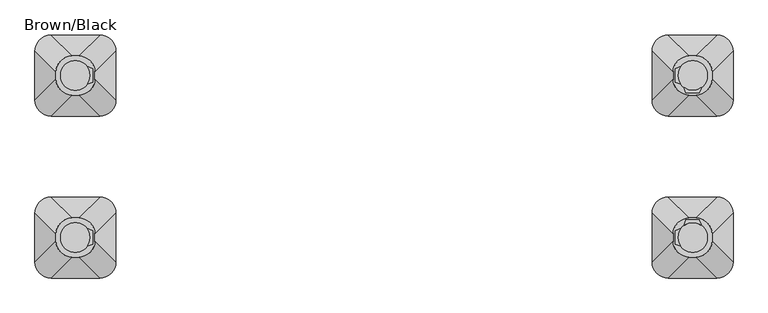
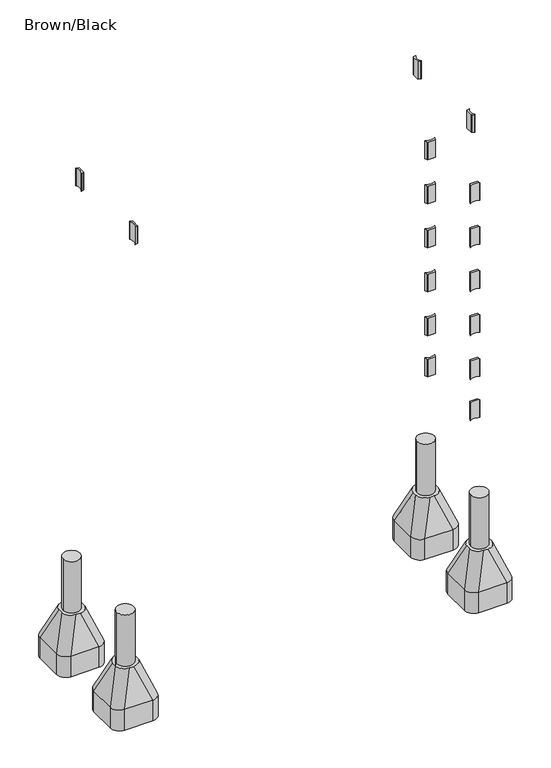
"""IFC4 building model written with IfcOpenShell, lengths in millimetres: furniture geometry, Brown/Black."""

from ifc_helpers import new_model, si_unit, point, frame, frame_2d, origin, place, context, project, spatial, polyline, circle_curve, trimmed, segment, composite_curve, outline, extrude, source, transform, mapped, element, save
from ifc_brep_helpers import plane_surface, cylinder_surface, extruded_surface, advanced_brep


def brown_black_4790e99b(model_context):
    return source(origin(), model_context, "Body", "SolidModel", [
        extrude(outline(composite_curve([segment(trimmed(circle_curve(frame_2d((-547.0, 205.0)), 55.0), [point((-602.0, 205.0))], [point((-492.0, 205.0))], False, "CARTESIAN"), True, "CONTINUOUS"), segment(trimmed(circle_curve(frame_2d((-547.0, 205.0)), 55.0), [point((-492.0, 205.0))], [point((-602.0, 205.0))], False, "CARTESIAN"), True, "CONTINUOUS")], self_intersect=False)), frame((0.0, 0.0, -800.0), z_axis=(0.0, 0.0, 1.0), x_axis=(1.0, 0.0, 0.0)), (0.0, 0.0, 1.0), 700.0),
        advanced_brep(
        [(-457.0, 355.0, -800.0), (-397.0, 295.0, -800.0), (-397.0, 115.0, -800.0), (-457.0, 55.0, -800.0), (-637.0, 55.0, -800.0), (-697.0, 115.0, -800.0), (-697.0, 295.0, -800.0), (-637.0, 355.0, -800.0), (-637.0, 355.0, -660.0), (-457.0, 355.0, -660.0), (-697.0, 115.0, -660.0), (-697.0, 295.0, -660.0), (-457.0, 55.0, -660.0), (-637.0, 55.0, -660.0), (-397.0, 295.0, -660.0), (-397.0, 115.0, -660.0), (-559.2959549, 277.6989403, -450.0), (-619.2959549, 217.6989403, -450.0), (-619.2959549, 192.3010597, -450.0), (-559.2959549, 132.3010597, -450.0), (-534.7040451, 132.3010597, -450.0), (-474.7040451, 192.3010597, -450.0), (-474.7040451, 217.6989403, -450.0), (-534.7040451, 277.6989403, -450.0)],
        [
            (0, 1, circle_curve(frame((-457.0, 295.0, -800.0), z_axis=(0.0, 0.0, -1.0), x_axis=(1.0, 0.0, 0.0)), 60.0)),
            (1, 2),
            (2, 3, circle_curve(frame((-457.0, 115.0, -800.0), z_axis=(0.0, 0.0, -1.0), x_axis=(1.0, 0.0, 0.0)), 60.0)),
            (3, 4),
            (4, 5, circle_curve(frame((-637.0, 115.0, -800.0), z_axis=(0.0, 0.0, -1.0), x_axis=(1.0, 0.0, 0.0)), 60.0)),
            (5, 6),
            (6, 7, circle_curve(frame((-637.0, 295.0, -800.0), z_axis=(0.0, 0.0, -1.0), x_axis=(1.0, 0.0, 0.0)), 60.0)),
            (7, 0),
            (7, 8),
            (8, 9),
            (9, 0),
            (5, 10),
            (10, 11),
            (11, 6),
            (3, 12),
            (12, 13),
            (13, 4),
            (1, 14),
            (14, 15),
            (15, 2),
            (16, 17, circle_curve(frame((-559.2959549, 217.6989403, -450.0), z_axis=(0.0, 0.0, 1.0), x_axis=(1.0, 0.0, 0.0)), 60.0)),
            (17, 18),
            (18, 19, circle_curve(frame((-559.2959549, 192.3010597, -450.0), z_axis=(0.0, 0.0, 1.0), x_axis=(1.0, 0.0, 0.0)), 60.0)),
            (19, 20),
            (20, 21, circle_curve(frame((-534.7040451, 192.3010597, -450.0), z_axis=(0.0, 0.0, 1.0), x_axis=(1.0, 0.0, 0.0)), 60.0)),
            (21, 22),
            (22, 23, circle_curve(frame((-534.7040451, 217.6989403, -450.0), z_axis=(0.0, 0.0, 1.0), x_axis=(1.0, 0.0, 0.0)), 60.0)),
            (23, 16),
            (17, 11),
            (10, 18),
            (19, 13),
            (12, 20),
            (21, 15),
            (14, 22),
            (23, 9),
            (8, 16),
            (11, 8, circle_curve(frame((-637.0, 295.0, -660.0), z_axis=(0.0, 0.0, -1.0), x_axis=(1.0, 0.0, 0.0)), 60.0)),
            (13, 10, circle_curve(frame((-637.0, 115.0, -660.0), z_axis=(0.0, 0.0, -1.0), x_axis=(1.0, 0.0, 0.0)), 60.0)),
            (15, 12, circle_curve(frame((-457.0, 115.0, -660.0), z_axis=(0.0, 0.0, -1.0), x_axis=(1.0, 0.0, 0.0)), 60.0)),
            (9, 14, circle_curve(frame((-457.0, 295.0, -660.0), z_axis=(0.0, 0.0, -1.0), x_axis=(1.0, 0.0, 0.0)), 60.0)),
        ],
        [
            plane_surface(frame((-723.6329682, 355.0, -800.0), z_axis=(0.0, 0.0, -1.0), x_axis=(1.0, 0.0, 0.0))),
            plane_surface(frame((-457.0, 355.0, -660.0), z_axis=(0.0, 1.0, 0.0), x_axis=(0.0, 0.0, -1.0))),
            plane_surface(frame((-697.0, 295.0, -660.0), z_axis=(-1.0, 0.0, 0.0), x_axis=(0.0, 0.0, -1.0))),
            plane_surface(frame((-637.0, 55.0, -660.0), z_axis=(0.0, -1.0, 0.0), x_axis=(0.0, 0.0, -1.0))),
            plane_surface(frame((-397.0, 115.0, -660.0), z_axis=(1.0, 0.0, 0.0), x_axis=(0.0, 0.0, -1.0))),
            plane_surface(frame((-547.0, 205.0, -450.0), z_axis=(0.0, 0.0, 1.0), x_axis=(-1.0, 0.0, 0.0))),
            plane_surface(frame((-697.0, 205.0, -660.0), z_axis=(-0.9378559633153523, 0.0, 0.3470247715564883), x_axis=(0.0, -1.0, 0.0))),
            plane_surface(frame((-547.0, 55.0, -660.0), z_axis=(0.0, -0.9384407279810882, 0.3454402988452927), x_axis=(1.0, 0.0, 0.0))),
            plane_surface(frame((-397.0, 205.0, -660.0), z_axis=(0.9378559633153524, 0.0, 0.34702477155648764), x_axis=(0.0, 1.0, 0.0))),
            plane_surface(frame((-547.0, 355.0, -660.0), z_axis=(0.0, 0.9384407279810884, 0.3454402988452924), x_axis=(-1.0, 0.0, 0.0))),
            cylinder_surface(frame((-637.0, 295.0, -800.0), z_axis=(0.0, 0.0, 1.0), x_axis=(1.0, 0.0, 0.0)), 60.0),
            cylinder_surface(frame((-637.0, 115.0, -800.0), z_axis=(0.0, 0.0, 1.0), x_axis=(1.0, 0.0, 0.0)), 60.0),
            cylinder_surface(frame((-457.0, 115.0, -800.0), z_axis=(0.0, 0.0, 1.0), x_axis=(1.0, 0.0, 0.0)), 60.0),
            cylinder_surface(frame((-457.0, 295.0, -800.0), z_axis=(0.0, 0.0, 1.0), x_axis=(1.0, 0.0, 0.0)), 60.0),
            extruded_surface(trimmed(circle_curve(frame((-637.0, 295.0, -660.0), z_axis=(0.0, 0.0, 1.0), x_axis=(1.0, 0.0, 0.0)), 60.0), [point((-637.0, 355.0, -660.0))], [point((-697.0, 295.0, -660.0))], True, "CARTESIAN"), (77.70404510000003, -77.3010597, 210.0), 236.88261324049472),
            extruded_surface(trimmed(circle_curve(frame((-457.0, 295.0, -660.0), z_axis=(0.0, 0.0, 1.0), x_axis=(1.0, 0.0, 0.0)), 60.0), [point((-397.0, 295.0, -660.0))], [point((-457.0, 355.0, -660.0))], True, "CARTESIAN"), (-77.70404510000003, -77.3010597, 210.0), 236.88261324049472),
            extruded_surface(trimmed(circle_curve(frame((-637.0, 115.0, -660.0), z_axis=(0.0, 0.0, 1.0), x_axis=(1.0, 0.0, 0.0)), 60.0), [point((-697.0, 115.0, -660.0))], [point((-637.0, 55.0, -660.0))], True, "CARTESIAN"), (77.70404510000003, 77.3010597, 210.0), 236.88261324049472),
            extruded_surface(trimmed(circle_curve(frame((-457.0, 115.0, -660.0), z_axis=(0.0, 0.0, 1.0), x_axis=(1.0, 0.0, 0.0)), 60.0), [point((-457.0, 55.0, -660.0))], [point((-397.0, 115.0, -660.0))], True, "CARTESIAN"), (-77.70404510000003, 77.3010597, 210.0), 236.88261324049472),
        ],
        [
            (0, [[1, 2, 3, 4, 5, 6, 7, 8]]),
            (1, [[-8, 9, 10, 11]]),
            (2, [[-6, 12, 13, 14]]),
            (3, [[-4, 15, 16, 17]]),
            (4, [[-2, 18, 19, 20]]),
            (5, [[21, 22, 23, 24, 25, 26, 27, 28]]),
            (6, [[-22, 29, -13, 30]]),
            (7, [[-24, 31, -16, 32]]),
            (8, [[-26, 33, -19, 34]]),
            (9, [[-28, 35, -10, 36]]),
            (10, [[-7, -14, 37, -9]]),
            (11, [[-5, -17, 38, -12]]),
            (12, [[-3, -20, 39, -15]]),
            (13, [[-1, -11, 40, -18]]),
            (14, [[-21, -36, -37, -29]]),
            (15, [[-27, -34, -40, -35]]),
            (16, [[-23, -30, -38, -31]]),
            (17, [[-25, -32, -39, -33]]),
        ],
    ),
        extrude(outline(composite_curve([segment(trimmed(circle_curve(frame_2d((-547.0, 805.0)), 55.0), [point((-602.0, 805.0))], [point((-492.0, 805.0))], False, "CARTESIAN"), True, "CONTINUOUS"), segment(trimmed(circle_curve(frame_2d((-547.0, 805.0)), 55.0), [point((-492.0, 805.0))], [point((-602.0, 805.0))], False, "CARTESIAN"), True, "CONTINUOUS")], self_intersect=False)), frame((0.0, 0.0, -800.0), z_axis=(0.0, 0.0, 1.0), x_axis=(1.0, 0.0, 0.0)), (0.0, 0.0, 1.0), 700.0),
        advanced_brep(
        [(-457.0, 955.0, -800.0), (-397.0, 895.0, -800.0), (-397.0, 715.0, -800.0), (-457.0, 655.0, -800.0), (-637.0, 655.0, -800.0), (-697.0, 715.0, -800.0), (-697.0, 895.0, -800.0), (-637.0, 955.0, -800.0), (-637.0, 955.0, -660.0), (-457.0, 955.0, -660.0), (-697.0, 715.0, -660.0), (-697.0, 895.0, -660.0), (-457.0, 655.0, -660.0), (-637.0, 655.0, -660.0), (-397.0, 895.0, -660.0), (-397.0, 715.0, -660.0), (-559.2959549, 877.6989403, -450.0), (-619.2959549, 817.6989403, -450.0), (-619.2959549, 792.3010597, -450.0), (-559.2959549, 732.3010597, -450.0), (-534.7040451, 732.3010597, -450.0), (-474.7040451, 792.3010597, -450.0), (-474.7040451, 817.6989403, -450.0), (-534.7040451, 877.6989403, -450.0)],
        [
            (0, 1, circle_curve(frame((-457.0, 895.0, -800.0), z_axis=(0.0, 0.0, -1.0), x_axis=(1.0, 0.0, 0.0)), 60.0)),
            (1, 2),
            (2, 3, circle_curve(frame((-457.0, 715.0, -800.0), z_axis=(0.0, 0.0, -1.0), x_axis=(1.0, 0.0, 0.0)), 60.0)),
            (3, 4),
            (4, 5, circle_curve(frame((-637.0, 715.0, -800.0), z_axis=(0.0, 0.0, -1.0), x_axis=(1.0, 0.0, 0.0)), 60.0)),
            (5, 6),
            (6, 7, circle_curve(frame((-637.0, 895.0, -800.0), z_axis=(0.0, 0.0, -1.0), x_axis=(1.0, 0.0, 0.0)), 60.0)),
            (7, 0),
            (7, 8),
            (8, 9),
            (9, 0),
            (5, 10),
            (10, 11),
            (11, 6),
            (3, 12),
            (12, 13),
            (13, 4),
            (1, 14),
            (14, 15),
            (15, 2),
            (16, 17, circle_curve(frame((-559.2959549, 817.6989403, -450.0), z_axis=(0.0, 0.0, 1.0), x_axis=(1.0, 0.0, 0.0)), 60.0)),
            (17, 18),
            (18, 19, circle_curve(frame((-559.2959549, 792.3010597, -450.0), z_axis=(0.0, 0.0, 1.0), x_axis=(1.0, 0.0, 0.0)), 60.0)),
            (19, 20),
            (20, 21, circle_curve(frame((-534.7040451, 792.3010597, -450.0), z_axis=(0.0, 0.0, 1.0), x_axis=(1.0, 0.0, 0.0)), 60.0)),
            (21, 22),
            (22, 23, circle_curve(frame((-534.7040451, 817.6989403, -450.0), z_axis=(0.0, 0.0, 1.0), x_axis=(1.0, 0.0, 0.0)), 60.0)),
            (23, 16),
            (17, 11),
            (10, 18),
            (19, 13),
            (12, 20),
            (21, 15),
            (14, 22),
            (23, 9),
            (8, 16),
            (11, 8, circle_curve(frame((-637.0, 895.0, -660.0), z_axis=(0.0, 0.0, -1.0), x_axis=(1.0, 0.0, 0.0)), 60.0)),
            (13, 10, circle_curve(frame((-637.0, 715.0, -660.0), z_axis=(0.0, 0.0, -1.0), x_axis=(1.0, 0.0, 0.0)), 60.0)),
            (15, 12, circle_curve(frame((-457.0, 715.0, -660.0), z_axis=(0.0, 0.0, -1.0), x_axis=(1.0, 0.0, 0.0)), 60.0)),
            (9, 14, circle_curve(frame((-457.0, 895.0, -660.0), z_axis=(0.0, 0.0, -1.0), x_axis=(1.0, 0.0, 0.0)), 60.0)),
        ],
        [
            plane_surface(frame((-723.6329682, 955.0, -800.0), z_axis=(0.0, 0.0, -1.0), x_axis=(1.0, 0.0, 0.0))),
            plane_surface(frame((-457.0, 955.0, -660.0), z_axis=(0.0, 1.0, 0.0), x_axis=(0.0, 0.0, -1.0))),
            plane_surface(frame((-697.0, 895.0, -660.0), z_axis=(-1.0, 0.0, 0.0), x_axis=(0.0, 0.0, -1.0))),
            plane_surface(frame((-637.0, 655.0, -660.0), z_axis=(0.0, -1.0, 0.0), x_axis=(0.0, 0.0, -1.0))),
            plane_surface(frame((-397.0, 715.0, -660.0), z_axis=(1.0, 0.0, 0.0), x_axis=(0.0, 0.0, -1.0))),
            plane_surface(frame((-547.0, 805.0, -450.0), z_axis=(0.0, 0.0, 1.0), x_axis=(-1.0, 0.0, 0.0))),
            plane_surface(frame((-697.0, 805.0, -660.0), z_axis=(-0.9378559633153523, 0.0, 0.3470247715564883), x_axis=(0.0, -1.0, 0.0))),
            plane_surface(frame((-547.0, 655.0, -660.0), z_axis=(0.0, -0.9384407279810882, 0.3454402988452927), x_axis=(1.0, 0.0, 0.0))),
            plane_surface(frame((-397.0, 805.0, -660.0), z_axis=(0.9378559633153524, 0.0, 0.34702477155648764), x_axis=(0.0, 1.0, 0.0))),
            plane_surface(frame((-547.0, 955.0, -660.0), z_axis=(0.0, 0.9384407279810884, 0.3454402988452924), x_axis=(-1.0, 0.0, 0.0))),
            cylinder_surface(frame((-637.0, 895.0, -800.0), z_axis=(0.0, 0.0, 1.0), x_axis=(1.0, 0.0, 0.0)), 60.0),
            cylinder_surface(frame((-637.0, 715.0, -800.0), z_axis=(0.0, 0.0, 1.0), x_axis=(1.0, 0.0, 0.0)), 60.0),
            cylinder_surface(frame((-457.0, 715.0, -800.0), z_axis=(0.0, 0.0, 1.0), x_axis=(1.0, 0.0, 0.0)), 60.0),
            cylinder_surface(frame((-457.0, 895.0, -800.0), z_axis=(0.0, 0.0, 1.0), x_axis=(1.0, 0.0, 0.0)), 60.0),
            extruded_surface(trimmed(circle_curve(frame((-637.0, 895.0, -660.0), z_axis=(0.0, 0.0, 1.0), x_axis=(1.0, 0.0, 0.0)), 60.0), [point((-637.0, 955.0, -660.0))], [point((-697.0, 895.0, -660.0))], True, "CARTESIAN"), (77.70404510000003, -77.3010597, 210.0), 236.88261324049472),
            extruded_surface(trimmed(circle_curve(frame((-457.0, 895.0, -660.0), z_axis=(0.0, 0.0, 1.0), x_axis=(1.0, 0.0, 0.0)), 60.0), [point((-397.0, 895.0, -660.0))], [point((-457.0, 955.0, -660.0))], True, "CARTESIAN"), (-77.70404510000003, -77.3010597, 210.0), 236.88261324049472),
            extruded_surface(trimmed(circle_curve(frame((-637.0, 715.0, -660.0), z_axis=(0.0, 0.0, 1.0), x_axis=(1.0, 0.0, 0.0)), 60.0), [point((-697.0, 715.0, -660.0))], [point((-637.0, 655.0, -660.0))], True, "CARTESIAN"), (77.70404510000003, 77.3010597, 210.0), 236.88261324049472),
            extruded_surface(trimmed(circle_curve(frame((-457.0, 715.0, -660.0), z_axis=(0.0, 0.0, 1.0), x_axis=(1.0, 0.0, 0.0)), 60.0), [point((-457.0, 655.0, -660.0))], [point((-397.0, 715.0, -660.0))], True, "CARTESIAN"), (-77.70404510000003, 77.3010597, 210.0), 236.88261324049472),
        ],
        [
            (0, [[1, 2, 3, 4, 5, 6, 7, 8]]),
            (1, [[-8, 9, 10, 11]]),
            (2, [[-6, 12, 13, 14]]),
            (3, [[-4, 15, 16, 17]]),
            (4, [[-2, 18, 19, 20]]),
            (5, [[21, 22, 23, 24, 25, 26, 27, 28]]),
            (6, [[-22, 29, -13, 30]]),
            (7, [[-24, 31, -16, 32]]),
            (8, [[-26, 33, -19, 34]]),
            (9, [[-28, 35, -10, 36]]),
            (10, [[-7, -14, 37, -9]]),
            (11, [[-5, -17, 38, -12]]),
            (12, [[-3, -20, 39, -15]]),
            (13, [[-1, -11, 40, -18]]),
            (14, [[-21, -36, -37, -29]]),
            (15, [[-27, -34, -40, -35]]),
            (16, [[-23, -30, -38, -31]]),
            (17, [[-25, -32, -39, -33]]),
        ],
    ),
        extrude(outline(composite_curve([segment(trimmed(circle_curve(frame_2d((1739.0, 205.0)), 55.0), [point((1684.0, 205.0))], [point((1794.0, 205.0))], False, "CARTESIAN"), True, "CONTINUOUS"), segment(trimmed(circle_curve(frame_2d((1739.0, 205.0)), 55.0), [point((1794.0, 205.0))], [point((1684.0, 205.0))], False, "CARTESIAN"), True, "CONTINUOUS")], self_intersect=False)), frame((0.0, 0.0, -800.0), z_axis=(0.0, 0.0, 1.0), x_axis=(1.0, 0.0, 0.0)), (0.0, 0.0, 1.0), 700.0),
        advanced_brep(
        [(1829.0, 355.0, -800.0), (1889.0, 295.0, -800.0), (1889.0, 115.0, -800.0), (1829.0, 55.0, -800.0), (1649.0, 55.0, -800.0), (1589.0, 115.0, -800.0), (1589.0, 295.0, -800.0), (1649.0, 355.0, -800.0), (1649.0, 355.0, -660.0), (1829.0, 355.0, -660.0), (1589.0, 115.0, -660.0), (1589.0, 295.0, -660.0), (1829.0, 55.0, -660.0), (1649.0, 55.0, -660.0), (1889.0, 295.0, -660.0), (1889.0, 115.0, -660.0), (1726.7040451, 277.6989403, -450.0), (1666.7040451, 217.6989403, -450.0), (1666.7040451, 192.3010597, -450.0), (1726.7040451, 132.3010597, -450.0), (1751.2959549, 132.3010597, -450.0), (1811.2959549, 192.3010597, -450.0), (1811.2959549, 217.6989403, -450.0), (1751.2959549, 277.6989403, -450.0)],
        [
            (0, 1, circle_curve(frame((1829.0, 295.0, -800.0), z_axis=(0.0, 0.0, -1.0), x_axis=(1.0, 0.0, 0.0)), 60.0)),
            (1, 2),
            (2, 3, circle_curve(frame((1829.0, 115.0, -800.0), z_axis=(0.0, 0.0, -1.0), x_axis=(1.0, 0.0, 0.0)), 60.0)),
            (3, 4),
            (4, 5, circle_curve(frame((1649.0, 115.0, -800.0), z_axis=(0.0, 0.0, -1.0), x_axis=(1.0, 0.0, 0.0)), 60.0)),
            (5, 6),
            (6, 7, circle_curve(frame((1649.0, 295.0, -800.0), z_axis=(0.0, 0.0, -1.0), x_axis=(1.0, 0.0, 0.0)), 60.0)),
            (7, 0),
            (7, 8),
            (8, 9),
            (9, 0),
            (5, 10),
            (10, 11),
            (11, 6),
            (3, 12),
            (12, 13),
            (13, 4),
            (1, 14),
            (14, 15),
            (15, 2),
            (16, 17, circle_curve(frame((1726.7040451, 217.6989403, -450.0), z_axis=(0.0, 0.0, 1.0), x_axis=(1.0, 0.0, 0.0)), 60.0)),
            (17, 18),
            (18, 19, circle_curve(frame((1726.7040451, 192.3010597, -450.0), z_axis=(0.0, 0.0, 1.0), x_axis=(1.0, 0.0, 0.0)), 60.0)),
            (19, 20),
            (20, 21, circle_curve(frame((1751.2959549, 192.3010597, -450.0), z_axis=(0.0, 0.0, 1.0), x_axis=(1.0, 0.0, 0.0)), 60.0)),
            (21, 22),
            (22, 23, circle_curve(frame((1751.2959549, 217.6989403, -450.0), z_axis=(0.0, 0.0, 1.0), x_axis=(1.0, 0.0, 0.0)), 60.0)),
            (23, 16),
            (17, 11),
            (10, 18),
            (19, 13),
            (12, 20),
            (21, 15),
            (14, 22),
            (23, 9),
            (8, 16),
            (11, 8, circle_curve(frame((1649.0, 295.0, -660.0), z_axis=(0.0, 0.0, -1.0), x_axis=(1.0, 0.0, 0.0)), 60.0)),
            (13, 10, circle_curve(frame((1649.0, 115.0, -660.0), z_axis=(0.0, 0.0, -1.0), x_axis=(1.0, 0.0, 0.0)), 60.0)),
            (15, 12, circle_curve(frame((1829.0, 115.0, -660.0), z_axis=(0.0, 0.0, -1.0), x_axis=(1.0, 0.0, 0.0)), 60.0)),
            (9, 14, circle_curve(frame((1829.0, 295.0, -660.0), z_axis=(0.0, 0.0, -1.0), x_axis=(1.0, 0.0, 0.0)), 60.0)),
        ],
        [
            plane_surface(frame((1562.3670318, 355.0, -800.0), z_axis=(0.0, 0.0, -1.0), x_axis=(1.0, 0.0, 0.0))),
            plane_surface(frame((1829.0, 355.0, -660.0), z_axis=(0.0, 1.0, 0.0), x_axis=(0.0, 0.0, -1.0))),
            plane_surface(frame((1589.0, 295.0, -660.0), z_axis=(-1.0, 0.0, 0.0), x_axis=(0.0, 0.0, -1.0))),
            plane_surface(frame((1649.0, 55.0, -660.0), z_axis=(0.0, -1.0, 0.0), x_axis=(0.0, 0.0, -1.0))),
            plane_surface(frame((1889.0, 115.0, -660.0), z_axis=(1.0, 0.0, 0.0), x_axis=(0.0, 0.0, -1.0))),
            plane_surface(frame((1739.0, 205.0, -450.0), z_axis=(0.0, 0.0, 1.0), x_axis=(-1.0, 0.0, 0.0))),
            plane_surface(frame((1589.0, 205.0, -660.0), z_axis=(-0.9378559633153523, 0.0, 0.3470247715564883), x_axis=(0.0, -1.0, 0.0))),
            plane_surface(frame((1739.0, 55.0, -660.0), z_axis=(0.0, -0.9384407279810882, 0.3454402988452927), x_axis=(1.0, 0.0, 0.0))),
            plane_surface(frame((1889.0, 205.0, -660.0), z_axis=(0.9378559633153524, 0.0, 0.34702477155648764), x_axis=(0.0, 1.0, 0.0))),
            plane_surface(frame((1739.0, 355.0, -660.0), z_axis=(0.0, 0.9384407279810884, 0.3454402988452924), x_axis=(-1.0, 0.0, 0.0))),
            cylinder_surface(frame((1649.0, 295.0, -800.0), z_axis=(0.0, 0.0, 1.0), x_axis=(1.0, 0.0, 0.0)), 60.0),
            cylinder_surface(frame((1649.0, 115.0, -800.0), z_axis=(0.0, 0.0, 1.0), x_axis=(1.0, 0.0, 0.0)), 60.0),
            cylinder_surface(frame((1829.0, 115.0, -800.0), z_axis=(0.0, 0.0, 1.0), x_axis=(1.0, 0.0, 0.0)), 60.0),
            cylinder_surface(frame((1829.0, 295.0, -800.0), z_axis=(0.0, 0.0, 1.0), x_axis=(1.0, 0.0, 0.0)), 60.0),
            extruded_surface(trimmed(circle_curve(frame((1649.0, 295.0, -660.0), z_axis=(0.0, 0.0, 1.0), x_axis=(1.0, 0.0, 0.0)), 60.0), [point((1649.0, 355.0, -660.0))], [point((1589.0, 295.0, -660.0))], True, "CARTESIAN"), (77.70404510000003, -77.3010597, 210.0), 236.88261324049472),
            extruded_surface(trimmed(circle_curve(frame((1829.0, 295.0, -660.0), z_axis=(0.0, 0.0, 1.0), x_axis=(1.0, 0.0, 0.0)), 60.0), [point((1889.0, 295.0, -660.0))], [point((1829.0, 355.0, -660.0))], True, "CARTESIAN"), (-77.70404510000003, -77.3010597, 210.0), 236.88261324049472),
            extruded_surface(trimmed(circle_curve(frame((1649.0, 115.0, -660.0), z_axis=(0.0, 0.0, 1.0), x_axis=(1.0, 0.0, 0.0)), 60.0), [point((1589.0, 115.0, -660.0))], [point((1649.0, 55.0, -660.0))], True, "CARTESIAN"), (77.70404510000003, 77.3010597, 210.0), 236.88261324049472),
            extruded_surface(trimmed(circle_curve(frame((1829.0, 115.0, -660.0), z_axis=(0.0, 0.0, 1.0), x_axis=(1.0, 0.0, 0.0)), 60.0), [point((1829.0, 55.0, -660.0))], [point((1889.0, 115.0, -660.0))], True, "CARTESIAN"), (-77.70404510000003, 77.3010597, 210.0), 236.88261324049472),
        ],
        [
            (0, [[1, 2, 3, 4, 5, 6, 7, 8]]),
            (1, [[-8, 9, 10, 11]]),
            (2, [[-6, 12, 13, 14]]),
            (3, [[-4, 15, 16, 17]]),
            (4, [[-2, 18, 19, 20]]),
            (5, [[21, 22, 23, 24, 25, 26, 27, 28]]),
            (6, [[-22, 29, -13, 30]]),
            (7, [[-24, 31, -16, 32]]),
            (8, [[-26, 33, -19, 34]]),
            (9, [[-28, 35, -10, 36]]),
            (10, [[-7, -14, 37, -9]]),
            (11, [[-5, -17, 38, -12]]),
            (12, [[-3, -20, 39, -15]]),
            (13, [[-1, -11, 40, -18]]),
            (14, [[-21, -36, -37, -29]]),
            (15, [[-27, -34, -40, -35]]),
            (16, [[-23, -30, -38, -31]]),
            (17, [[-25, -32, -39, -33]]),
        ],
    ),
        extrude(outline(composite_curve([segment(trimmed(circle_curve(frame_2d((1739.0, 805.0)), 55.0), [point((1684.0, 805.0))], [point((1794.0, 805.0))], False, "CARTESIAN"), True, "CONTINUOUS"), segment(trimmed(circle_curve(frame_2d((1739.0, 805.0)), 55.0), [point((1794.0, 805.0))], [point((1684.0, 805.0))], False, "CARTESIAN"), True, "CONTINUOUS")], self_intersect=False)), frame((0.0, 0.0, -800.0), z_axis=(0.0, 0.0, 1.0), x_axis=(1.0, 0.0, 0.0)), (0.0, 0.0, 1.0), 700.0),
        advanced_brep(
        [(1829.0, 955.0, -800.0), (1889.0, 895.0, -800.0), (1889.0, 715.0, -800.0), (1829.0, 655.0, -800.0), (1649.0, 655.0, -800.0), (1589.0, 715.0, -800.0), (1589.0, 895.0, -800.0), (1649.0, 955.0, -800.0), (1649.0, 955.0, -660.0), (1829.0, 955.0, -660.0), (1589.0, 715.0, -660.0), (1589.0, 895.0, -660.0), (1829.0, 655.0, -660.0), (1649.0, 655.0, -660.0), (1889.0, 895.0, -660.0), (1889.0, 715.0, -660.0), (1726.7040451, 877.6989403, -450.0), (1666.7040451, 817.6989403, -450.0), (1666.7040451, 792.3010597, -450.0), (1726.7040451, 732.3010597, -450.0), (1751.2959549, 732.3010597, -450.0), (1811.2959549, 792.3010597, -450.0), (1811.2959549, 817.6989403, -450.0), (1751.2959549, 877.6989403, -450.0)],
        [
            (0, 1, circle_curve(frame((1829.0, 895.0, -800.0), z_axis=(0.0, 0.0, -1.0), x_axis=(1.0, 0.0, 0.0)), 60.0)),
            (1, 2),
            (2, 3, circle_curve(frame((1829.0, 715.0, -800.0), z_axis=(0.0, 0.0, -1.0), x_axis=(1.0, 0.0, 0.0)), 60.0)),
            (3, 4),
            (4, 5, circle_curve(frame((1649.0, 715.0, -800.0), z_axis=(0.0, 0.0, -1.0), x_axis=(1.0, 0.0, 0.0)), 60.0)),
            (5, 6),
            (6, 7, circle_curve(frame((1649.0, 895.0, -800.0), z_axis=(0.0, 0.0, -1.0), x_axis=(1.0, 0.0, 0.0)), 60.0)),
            (7, 0),
            (7, 8),
            (8, 9),
            (9, 0),
            (5, 10),
            (10, 11),
            (11, 6),
            (3, 12),
            (12, 13),
            (13, 4),
            (1, 14),
            (14, 15),
            (15, 2),
            (16, 17, circle_curve(frame((1726.7040451, 817.6989403, -450.0), z_axis=(0.0, 0.0, 1.0), x_axis=(1.0, 0.0, 0.0)), 60.0)),
            (17, 18),
            (18, 19, circle_curve(frame((1726.7040451, 792.3010597, -450.0), z_axis=(0.0, 0.0, 1.0), x_axis=(1.0, 0.0, 0.0)), 60.0)),
            (19, 20),
            (20, 21, circle_curve(frame((1751.2959549, 792.3010597, -450.0), z_axis=(0.0, 0.0, 1.0), x_axis=(1.0, 0.0, 0.0)), 60.0)),
            (21, 22),
            (22, 23, circle_curve(frame((1751.2959549, 817.6989403, -450.0), z_axis=(0.0, 0.0, 1.0), x_axis=(1.0, 0.0, 0.0)), 60.0)),
            (23, 16),
            (17, 11),
            (10, 18),
            (19, 13),
            (12, 20),
            (21, 15),
            (14, 22),
            (23, 9),
            (8, 16),
            (11, 8, circle_curve(frame((1649.0, 895.0, -660.0), z_axis=(0.0, 0.0, -1.0), x_axis=(1.0, 0.0, 0.0)), 60.0)),
            (13, 10, circle_curve(frame((1649.0, 715.0, -660.0), z_axis=(0.0, 0.0, -1.0), x_axis=(1.0, 0.0, 0.0)), 60.0)),
            (15, 12, circle_curve(frame((1829.0, 715.0, -660.0), z_axis=(0.0, 0.0, -1.0), x_axis=(1.0, 0.0, 0.0)), 60.0)),
            (9, 14, circle_curve(frame((1829.0, 895.0, -660.0), z_axis=(0.0, 0.0, -1.0), x_axis=(1.0, 0.0, 0.0)), 60.0)),
        ],
        [
            plane_surface(frame((1562.3670318, 955.0, -800.0), z_axis=(0.0, 0.0, -1.0), x_axis=(1.0, 0.0, 0.0))),
            plane_surface(frame((1829.0, 955.0, -660.0), z_axis=(0.0, 1.0, 0.0), x_axis=(0.0, 0.0, -1.0))),
            plane_surface(frame((1589.0, 895.0, -660.0), z_axis=(-1.0, 0.0, 0.0), x_axis=(0.0, 0.0, -1.0))),
            plane_surface(frame((1649.0, 655.0, -660.0), z_axis=(0.0, -1.0, 0.0), x_axis=(0.0, 0.0, -1.0))),
            plane_surface(frame((1889.0, 715.0, -660.0), z_axis=(1.0, 0.0, 0.0), x_axis=(0.0, 0.0, -1.0))),
            plane_surface(frame((1739.0, 805.0, -450.0), z_axis=(0.0, 0.0, 1.0), x_axis=(-1.0, 0.0, 0.0))),
            plane_surface(frame((1589.0, 805.0, -660.0), z_axis=(-0.9378559633153523, 0.0, 0.3470247715564883), x_axis=(0.0, -1.0, 0.0))),
            plane_surface(frame((1739.0, 655.0, -660.0), z_axis=(0.0, -0.9384407279810882, 0.3454402988452927), x_axis=(1.0, 0.0, 0.0))),
            plane_surface(frame((1889.0, 805.0, -660.0), z_axis=(0.9378559633153524, 0.0, 0.34702477155648764), x_axis=(0.0, 1.0, 0.0))),
            plane_surface(frame((1739.0, 955.0, -660.0), z_axis=(0.0, 0.9384407279810884, 0.3454402988452924), x_axis=(-1.0, 0.0, 0.0))),
            cylinder_surface(frame((1649.0, 895.0, -800.0), z_axis=(0.0, 0.0, 1.0), x_axis=(1.0, 0.0, 0.0)), 60.0),
            cylinder_surface(frame((1649.0, 715.0, -800.0), z_axis=(0.0, 0.0, 1.0), x_axis=(1.0, 0.0, 0.0)), 60.0),
            cylinder_surface(frame((1829.0, 715.0, -800.0), z_axis=(0.0, 0.0, 1.0), x_axis=(1.0, 0.0, 0.0)), 60.0),
            cylinder_surface(frame((1829.0, 895.0, -800.0), z_axis=(0.0, 0.0, 1.0), x_axis=(1.0, 0.0, 0.0)), 60.0),
            extruded_surface(trimmed(circle_curve(frame((1649.0, 895.0, -660.0), z_axis=(0.0, 0.0, 1.0), x_axis=(1.0, 0.0, 0.0)), 60.0), [point((1649.0, 955.0, -660.0))], [point((1589.0, 895.0, -660.0))], True, "CARTESIAN"), (77.70404510000003, -77.3010597, 210.0), 236.88261324049472),
            extruded_surface(trimmed(circle_curve(frame((1829.0, 895.0, -660.0), z_axis=(0.0, 0.0, 1.0), x_axis=(1.0, 0.0, 0.0)), 60.0), [point((1889.0, 895.0, -660.0))], [point((1829.0, 955.0, -660.0))], True, "CARTESIAN"), (-77.70404510000003, -77.3010597, 210.0), 236.88261324049472),
            extruded_surface(trimmed(circle_curve(frame((1649.0, 715.0, -660.0), z_axis=(0.0, 0.0, 1.0), x_axis=(1.0, 0.0, 0.0)), 60.0), [point((1589.0, 715.0, -660.0))], [point((1649.0, 655.0, -660.0))], True, "CARTESIAN"), (77.70404510000003, 77.3010597, 210.0), 236.88261324049472),
            extruded_surface(trimmed(circle_curve(frame((1829.0, 715.0, -660.0), z_axis=(0.0, 0.0, 1.0), x_axis=(1.0, 0.0, 0.0)), 60.0), [point((1829.0, 655.0, -660.0))], [point((1889.0, 715.0, -660.0))], True, "CARTESIAN"), (-77.70404510000003, 77.3010597, 210.0), 236.88261324049472),
        ],
        [
            (0, [[1, 2, 3, 4, 5, 6, 7, 8]]),
            (1, [[-8, 9, 10, 11]]),
            (2, [[-6, 12, 13, 14]]),
            (3, [[-4, 15, 16, 17]]),
            (4, [[-2, 18, 19, 20]]),
            (5, [[21, 22, 23, 24, 25, 26, 27, 28]]),
            (6, [[-22, 29, -13, 30]]),
            (7, [[-24, 31, -16, 32]]),
            (8, [[-26, 33, -19, 34]]),
            (9, [[-28, 35, -10, 36]]),
            (10, [[-7, -14, 37, -9]]),
            (11, [[-5, -17, 38, -12]]),
            (12, [[-3, -20, 39, -15]]),
            (13, [[-1, -11, 40, -18]]),
            (14, [[-21, -36, -37, -29]]),
            (15, [[-27, -34, -40, -35]]),
            (16, [[-23, -30, -38, -31]]),
            (17, [[-25, -32, -39, -33]]),
        ],
    ),
        extrude(outline(composite_curve([segment(trimmed(circle_curve(frame_2d((1691.9121239, 174.6300052)), 1.0), [point((1692.752295, 175.1723266))], [point((1691.5701038, 173.6903126))], False, "CARTESIAN"), True, "CONTINUOUS"), segment(polyline([(1691.5701038, 173.6903126), (1674.8923549, 179.7605168)]), True, "CONTINUOUS"), segment(trimmed(circle_curve(frame_2d((1675.234375, 180.7002094)), 1.0), [point((1674.8923549, 179.7605168))], [point((1674.234375, 180.7002094))], False, "CARTESIAN"), True, "CONTINUOUS"), segment(polyline([(1674.234375, 180.7002094), (1674.234375, 229.2997943)]), True, "CONTINUOUS"), segment(trimmed(circle_curve(frame_2d((1675.234375, 229.2997943)), 1.0), [point((1674.234375, 229.2997943))], [point((1674.8923549, 230.2394869))], False, "CARTESIAN"), True, "CONTINUOUS"), segment(polyline([(1674.8923549, 230.2394869), (1691.5701038, 236.3096911)]), True, "CONTINUOUS"), segment(trimmed(circle_curve(frame_2d((1691.9121239, 235.3699985)), 1.0), [point((1691.5701038, 236.3096911))], [point((1692.752295, 234.8276771))], False, "CARTESIAN"), True, "CONTINUOUS"), segment(trimmed(circle_curve(frame_2d((1738.9617074, 205.0000019)), 55.0), [point((1692.752295, 234.8276771))], [point((1692.752295, 175.1723266))], True, "CARTESIAN"), True, "CONTINUOUS")], self_intersect=False)), frame((0.0, 0.0, 2390.0), z_axis=(0.0, 0.0, 1.0), x_axis=(1.0, 0.0, 0.0)), (0.0, 0.0, 1.0), 120.0),
        extrude(outline(composite_curve([segment(trimmed(circle_curve(frame_2d((1691.9121239, 774.6300052)), 1.0), [point((1692.752295, 775.1723266))], [point((1691.5701038, 773.6903126))], False, "CARTESIAN"), True, "CONTINUOUS"), segment(polyline([(1691.5701038, 773.6903126), (1674.8923549, 779.7605168)]), True, "CONTINUOUS"), segment(trimmed(circle_curve(frame_2d((1675.234375, 780.7002094)), 1.0), [point((1674.8923549, 779.7605168))], [point((1674.234375, 780.7002094))], False, "CARTESIAN"), True, "CONTINUOUS"), segment(polyline([(1674.234375, 780.7002094), (1674.234375, 829.2997943)]), True, "CONTINUOUS"), segment(trimmed(circle_curve(frame_2d((1675.234375, 829.2997943)), 1.0), [point((1674.234375, 829.2997943))], [point((1674.8923549, 830.2394869))], False, "CARTESIAN"), True, "CONTINUOUS"), segment(polyline([(1674.8923549, 830.2394869), (1691.5701038, 836.3096911)]), True, "CONTINUOUS"), segment(trimmed(circle_curve(frame_2d((1691.9121239, 835.3699985)), 1.0), [point((1691.5701038, 836.3096911))], [point((1692.752295, 834.8276771))], False, "CARTESIAN"), True, "CONTINUOUS"), segment(trimmed(circle_curve(frame_2d((1738.9617074, 805.0000019)), 55.0), [point((1692.752295, 834.8276771))], [point((1692.752295, 775.1723266))], True, "CARTESIAN"), True, "CONTINUOUS")], self_intersect=False)), frame((0.0, 0.0, 2390.0), z_axis=(0.0, 0.0, 1.0), x_axis=(1.0, 0.0, 0.0)), (0.0, 0.0, 1.0), 120.0),
        extrude(outline(composite_curve([segment(trimmed(circle_curve(frame_2d((-499.9902489, 235.3699948)), 1.0), [point((-500.83042, 234.8276734))], [point((-499.6482288, 236.3096874))], False, "CARTESIAN"), True, "CONTINUOUS"), segment(polyline([(-499.6482288, 236.3096874), (-482.9704799, 230.2394832)]), True, "CONTINUOUS"), segment(trimmed(circle_curve(frame_2d((-483.3125, 229.2997906)), 1.0), [point((-482.9704799, 230.2394832))], [point((-482.3125, 229.2997906))], False, "CARTESIAN"), True, "CONTINUOUS"), segment(polyline([(-482.3125, 229.2997906), (-482.3125, 180.7002057)]), True, "CONTINUOUS"), segment(trimmed(circle_curve(frame_2d((-483.3125, 180.7002057)), 1.0), [point((-482.3125, 180.7002057))], [point((-482.9704799, 179.7605131))], False, "CARTESIAN"), True, "CONTINUOUS"), segment(polyline([(-482.9704799, 179.7605131), (-499.6482288, 173.6903089)]), True, "CONTINUOUS"), segment(trimmed(circle_curve(frame_2d((-499.9902489, 174.6300015)), 1.0), [point((-499.6482288, 173.6903089))], [point((-500.83042, 175.1723229))], False, "CARTESIAN"), True, "CONTINUOUS"), segment(trimmed(circle_curve(frame_2d((-547.0398324, 204.9999981)), 55.0), [point((-500.83042, 175.1723229))], [point((-500.83042, 234.8276734))], True, "CARTESIAN"), True, "CONTINUOUS")], self_intersect=False)), frame((0.0, 0.0, 2390.0), z_axis=(0.0, 0.0, 1.0), x_axis=(1.0, 0.0, 0.0)), (0.0, 0.0, 1.0), 120.0),
        extrude(outline(composite_curve([segment(trimmed(circle_curve(frame_2d((-499.9121239, 835.3699948)), 1.0), [point((-500.752295, 834.8276734))], [point((-499.5701038, 836.3096874))], False, "CARTESIAN"), True, "CONTINUOUS"), segment(polyline([(-499.5701038, 836.3096874), (-482.8923549, 830.2394832)]), True, "CONTINUOUS"), segment(trimmed(circle_curve(frame_2d((-483.234375, 829.2997906)), 1.0), [point((-482.8923549, 830.2394832))], [point((-482.234375, 829.2997906))], False, "CARTESIAN"), True, "CONTINUOUS"), segment(polyline([(-482.234375, 829.2997906), (-482.234375, 780.7002057)]), True, "CONTINUOUS"), segment(trimmed(circle_curve(frame_2d((-483.234375, 780.7002057)), 1.0), [point((-482.234375, 780.7002057))], [point((-482.8923549, 779.7605131))], False, "CARTESIAN"), True, "CONTINUOUS"), segment(polyline([(-482.8923549, 779.7605131), (-499.5701038, 773.6903089)]), True, "CONTINUOUS"), segment(trimmed(circle_curve(frame_2d((-499.9121239, 774.6300015)), 1.0), [point((-499.5701038, 773.6903089))], [point((-500.752295, 775.1723229))], False, "CARTESIAN"), True, "CONTINUOUS"), segment(trimmed(circle_curve(frame_2d((-546.9617074, 804.9999981)), 55.0), [point((-500.752295, 775.1723229))], [point((-500.752295, 834.8276734))], True, "CARTESIAN"), True, "CONTINUOUS")], self_intersect=False)), frame((0.0, 0.0, 2390.0), z_axis=(0.0, 0.0, 1.0), x_axis=(1.0, 0.0, 0.0)), (0.0, 0.0, 1.0), 120.0),
        extrude(outline(composite_curve([segment(trimmed(circle_curve(frame_2d((1769.3699948, 757.9095317)), 1.0), [point((1768.8276734, 758.7497028))], [point((1770.3096874, 757.5675115))], False, "CARTESIAN"), True, "CONTINUOUS"), segment(polyline([(1770.3096874, 757.5675115), (1764.2394832, 740.8897626)]), True, "CONTINUOUS"), segment(trimmed(circle_curve(frame_2d((1763.2997906, 741.2317828)), 1.0), [point((1764.2394832, 740.8897626))], [point((1763.2997906, 740.2317828))], False, "CARTESIAN"), True, "CONTINUOUS"), segment(polyline([(1763.2997906, 740.2317828), (1714.7002057, 740.2317828)]), True, "CONTINUOUS"), segment(trimmed(circle_curve(frame_2d((1714.7002057, 741.2317828)), 1.0), [point((1714.7002057, 740.2317828))], [point((1713.7605131, 740.8897626))], False, "CARTESIAN"), True, "CONTINUOUS"), segment(polyline([(1713.7605131, 740.8897626), (1707.6903089, 757.5675115)]), True, "CONTINUOUS"), segment(trimmed(circle_curve(frame_2d((1708.6300015, 757.9095317)), 1.0), [point((1707.6903089, 757.5675115))], [point((1709.1723229, 758.7497028))], False, "CARTESIAN"), True, "CONTINUOUS"), segment(trimmed(circle_curve(frame_2d((1738.9999981, 804.9591151)), 55.0), [point((1709.1723229, 758.7497028))], [point((1768.8276734, 758.7497028))], True, "CARTESIAN"), True, "CONTINUOUS")], self_intersect=False)), frame((0.0, 0.0, 370.0), z_axis=(0.0, 0.0, 1.0), x_axis=(1.0, 0.0, 0.0)), (0.0, 0.0, 1.0), 120.0),
        extrude(outline(composite_curve([segment(trimmed(circle_curve(frame_2d((1708.6300052, 252.0740781)), 1.0), [point((1709.1723266, 251.233907))], [point((1707.6903126, 252.4160982))], False, "CARTESIAN"), True, "CONTINUOUS"), segment(polyline([(1707.6903126, 252.4160982), (1713.7605168, 269.0938471)]), True, "CONTINUOUS"), segment(trimmed(circle_curve(frame_2d((1714.7002094, 268.751827)), 1.0), [point((1713.7605168, 269.0938471))], [point((1714.7002094, 269.751827))], False, "CARTESIAN"), True, "CONTINUOUS"), segment(polyline([(1714.7002094, 269.751827), (1763.2997943, 269.751827)]), True, "CONTINUOUS"), segment(trimmed(circle_curve(frame_2d((1763.2997943, 268.751827)), 1.0), [point((1763.2997943, 269.751827))], [point((1764.2394869, 269.0938471))], False, "CARTESIAN"), True, "CONTINUOUS"), segment(polyline([(1764.2394869, 269.0938471), (1770.3096911, 252.4160982)]), True, "CONTINUOUS"), segment(trimmed(circle_curve(frame_2d((1769.3699985, 252.0740781)), 1.0), [point((1770.3096911, 252.4160982))], [point((1768.8276771, 251.233907))], False, "CARTESIAN"), True, "CONTINUOUS"), segment(trimmed(circle_curve(frame_2d((1739.0000019, 205.0244946)), 55.0), [point((1768.8276771, 251.233907))], [point((1709.1723266, 251.233907))], True, "CARTESIAN"), True, "CONTINUOUS")], self_intersect=False)), frame((0.0, 0.0, 370.0), z_axis=(0.0, 0.0, 1.0), x_axis=(1.0, 0.0, 0.0)), (0.0, 0.0, 1.0), 120.0),
        extrude(outline(composite_curve([segment(trimmed(circle_curve(frame_2d((1769.3699948, 757.9095317)), 1.0), [point((1768.8276734, 758.7497028))], [point((1770.3096874, 757.5675115))], False, "CARTESIAN"), True, "CONTINUOUS"), segment(polyline([(1770.3096874, 757.5675115), (1764.2394832, 740.8897626)]), True, "CONTINUOUS"), segment(trimmed(circle_curve(frame_2d((1763.2997906, 741.2317828)), 1.0), [point((1764.2394832, 740.8897626))], [point((1763.2997906, 740.2317828))], False, "CARTESIAN"), True, "CONTINUOUS"), segment(polyline([(1763.2997906, 740.2317828), (1714.7002057, 740.2317828)]), True, "CONTINUOUS"), segment(trimmed(circle_curve(frame_2d((1714.7002057, 741.2317828)), 1.0), [point((1714.7002057, 740.2317828))], [point((1713.7605131, 740.8897626))], False, "CARTESIAN"), True, "CONTINUOUS"), segment(polyline([(1713.7605131, 740.8897626), (1707.6903089, 757.5675115)]), True, "CONTINUOUS"), segment(trimmed(circle_curve(frame_2d((1708.6300015, 757.9095317)), 1.0), [point((1707.6903089, 757.5675115))], [point((1709.1723229, 758.7497028))], False, "CARTESIAN"), True, "CONTINUOUS"), segment(trimmed(circle_curve(frame_2d((1738.9999981, 804.9591151)), 55.0), [point((1709.1723229, 758.7497028))], [point((1768.8276734, 758.7497028))], True, "CARTESIAN"), True, "CONTINUOUS")], self_intersect=False)), frame((0.0, 0.0, 650.0), z_axis=(0.0, 0.0, 1.0), x_axis=(1.0, 0.0, 0.0)), (0.0, 0.0, 1.0), 120.0),
        extrude(outline(composite_curve([segment(trimmed(circle_curve(frame_2d((1708.6300052, 252.0740781)), 1.0), [point((1709.1723266, 251.233907))], [point((1707.6903126, 252.4160982))], False, "CARTESIAN"), True, "CONTINUOUS"), segment(polyline([(1707.6903126, 252.4160982), (1713.7605168, 269.0938471)]), True, "CONTINUOUS"), segment(trimmed(circle_curve(frame_2d((1714.7002094, 268.751827)), 1.0), [point((1713.7605168, 269.0938471))], [point((1714.7002094, 269.751827))], False, "CARTESIAN"), True, "CONTINUOUS"), segment(polyline([(1714.7002094, 269.751827), (1763.2997943, 269.751827)]), True, "CONTINUOUS"), segment(trimmed(circle_curve(frame_2d((1763.2997943, 268.751827)), 1.0), [point((1763.2997943, 269.751827))], [point((1764.2394869, 269.0938471))], False, "CARTESIAN"), True, "CONTINUOUS"), segment(polyline([(1764.2394869, 269.0938471), (1770.3096911, 252.4160982)]), True, "CONTINUOUS"), segment(trimmed(circle_curve(frame_2d((1769.3699985, 252.0740781)), 1.0), [point((1770.3096911, 252.4160982))], [point((1768.8276771, 251.233907))], False, "CARTESIAN"), True, "CONTINUOUS"), segment(trimmed(circle_curve(frame_2d((1739.0000019, 205.0244946)), 55.0), [point((1768.8276771, 251.233907))], [point((1709.1723266, 251.233907))], True, "CARTESIAN"), True, "CONTINUOUS")], self_intersect=False)), frame((0.0, 0.0, 650.0), z_axis=(0.0, 0.0, 1.0), x_axis=(1.0, 0.0, 0.0)), (0.0, 0.0, 1.0), 120.0),
        extrude(outline(composite_curve([segment(trimmed(circle_curve(frame_2d((1769.3699948, 757.9095317)), 1.0), [point((1768.8276734, 758.7497028))], [point((1770.3096874, 757.5675115))], False, "CARTESIAN"), True, "CONTINUOUS"), segment(polyline([(1770.3096874, 757.5675115), (1764.2394832, 740.8897626)]), True, "CONTINUOUS"), segment(trimmed(circle_curve(frame_2d((1763.2997906, 741.2317828)), 1.0), [point((1764.2394832, 740.8897626))], [point((1763.2997906, 740.2317828))], False, "CARTESIAN"), True, "CONTINUOUS"), segment(polyline([(1763.2997906, 740.2317828), (1714.7002057, 740.2317828)]), True, "CONTINUOUS"), segment(trimmed(circle_curve(frame_2d((1714.7002057, 741.2317828)), 1.0), [point((1714.7002057, 740.2317828))], [point((1713.7605131, 740.8897626))], False, "CARTESIAN"), True, "CONTINUOUS"), segment(polyline([(1713.7605131, 740.8897626), (1707.6903089, 757.5675115)]), True, "CONTINUOUS"), segment(trimmed(circle_curve(frame_2d((1708.6300015, 757.9095317)), 1.0), [point((1707.6903089, 757.5675115))], [point((1709.1723229, 758.7497028))], False, "CARTESIAN"), True, "CONTINUOUS"), segment(trimmed(circle_curve(frame_2d((1738.9999981, 804.9591151)), 55.0), [point((1709.1723229, 758.7497028))], [point((1768.8276734, 758.7497028))], True, "CARTESIAN"), True, "CONTINUOUS")], self_intersect=False)), frame((0.0, 0.0, 950.0), z_axis=(0.0, 0.0, 1.0), x_axis=(1.0, 0.0, 0.0)), (0.0, 0.0, 1.0), 120.0),
        extrude(outline(composite_curve([segment(trimmed(circle_curve(frame_2d((1708.6300052, 252.0740781)), 1.0), [point((1709.1723266, 251.233907))], [point((1707.6903126, 252.4160982))], False, "CARTESIAN"), True, "CONTINUOUS"), segment(polyline([(1707.6903126, 252.4160982), (1713.7605168, 269.0938471)]), True, "CONTINUOUS"), segment(trimmed(circle_curve(frame_2d((1714.7002094, 268.751827)), 1.0), [point((1713.7605168, 269.0938471))], [point((1714.7002094, 269.751827))], False, "CARTESIAN"), True, "CONTINUOUS"), segment(polyline([(1714.7002094, 269.751827), (1763.2997943, 269.751827)]), True, "CONTINUOUS"), segment(trimmed(circle_curve(frame_2d((1763.2997943, 268.751827)), 1.0), [point((1763.2997943, 269.751827))], [point((1764.2394869, 269.0938471))], False, "CARTESIAN"), True, "CONTINUOUS"), segment(polyline([(1764.2394869, 269.0938471), (1770.3096911, 252.4160982)]), True, "CONTINUOUS"), segment(trimmed(circle_curve(frame_2d((1769.3699985, 252.0740781)), 1.0), [point((1770.3096911, 252.4160982))], [point((1768.8276771, 251.233907))], False, "CARTESIAN"), True, "CONTINUOUS"), segment(trimmed(circle_curve(frame_2d((1739.0000019, 205.0244946)), 55.0), [point((1768.8276771, 251.233907))], [point((1709.1723266, 251.233907))], True, "CARTESIAN"), True, "CONTINUOUS")], self_intersect=False)), frame((0.0, 0.0, 950.0), z_axis=(0.0, 0.0, 1.0), x_axis=(1.0, 0.0, 0.0)), (0.0, 0.0, 1.0), 120.0),
        extrude(outline(composite_curve([segment(trimmed(circle_curve(frame_2d((1769.3699948, 757.9095317)), 1.0), [point((1768.8276734, 758.7497028))], [point((1770.3096874, 757.5675115))], False, "CARTESIAN"), True, "CONTINUOUS"), segment(polyline([(1770.3096874, 757.5675115), (1764.2394832, 740.8897626)]), True, "CONTINUOUS"), segment(trimmed(circle_curve(frame_2d((1763.2997906, 741.2317828)), 1.0), [point((1764.2394832, 740.8897626))], [point((1763.2997906, 740.2317828))], False, "CARTESIAN"), True, "CONTINUOUS"), segment(polyline([(1763.2997906, 740.2317828), (1714.7002057, 740.2317828)]), True, "CONTINUOUS"), segment(trimmed(circle_curve(frame_2d((1714.7002057, 741.2317828)), 1.0), [point((1714.7002057, 740.2317828))], [point((1713.7605131, 740.8897626))], False, "CARTESIAN"), True, "CONTINUOUS"), segment(polyline([(1713.7605131, 740.8897626), (1707.6903089, 757.5675115)]), True, "CONTINUOUS"), segment(trimmed(circle_curve(frame_2d((1708.6300015, 757.9095317)), 1.0), [point((1707.6903089, 757.5675115))], [point((1709.1723229, 758.7497028))], False, "CARTESIAN"), True, "CONTINUOUS"), segment(trimmed(circle_curve(frame_2d((1738.9999981, 804.9591151)), 55.0), [point((1709.1723229, 758.7497028))], [point((1768.8276734, 758.7497028))], True, "CARTESIAN"), True, "CONTINUOUS")], self_intersect=False)), frame((0.0, 0.0, 1250.0), z_axis=(0.0, 0.0, 1.0), x_axis=(1.0, 0.0, 0.0)), (0.0, 0.0, 1.0), 120.0),
        extrude(outline(composite_curve([segment(trimmed(circle_curve(frame_2d((1708.6300052, 252.0740781)), 1.0), [point((1709.1723266, 251.233907))], [point((1707.6903126, 252.4160982))], False, "CARTESIAN"), True, "CONTINUOUS"), segment(polyline([(1707.6903126, 252.4160982), (1713.7605168, 269.0938471)]), True, "CONTINUOUS"), segment(trimmed(circle_curve(frame_2d((1714.7002094, 268.751827)), 1.0), [point((1713.7605168, 269.0938471))], [point((1714.7002094, 269.751827))], False, "CARTESIAN"), True, "CONTINUOUS"), segment(polyline([(1714.7002094, 269.751827), (1763.2997943, 269.751827)]), True, "CONTINUOUS"), segment(trimmed(circle_curve(frame_2d((1763.2997943, 268.751827)), 1.0), [point((1763.2997943, 269.751827))], [point((1764.2394869, 269.0938471))], False, "CARTESIAN"), True, "CONTINUOUS"), segment(polyline([(1764.2394869, 269.0938471), (1770.3096911, 252.4160982)]), True, "CONTINUOUS"), segment(trimmed(circle_curve(frame_2d((1769.3699985, 252.0740781)), 1.0), [point((1770.3096911, 252.4160982))], [point((1768.8276771, 251.233907))], False, "CARTESIAN"), True, "CONTINUOUS"), segment(trimmed(circle_curve(frame_2d((1739.0000019, 205.0244946)), 55.0), [point((1768.8276771, 251.233907))], [point((1709.1723266, 251.233907))], True, "CARTESIAN"), True, "CONTINUOUS")], self_intersect=False)), frame((0.0, 0.0, 1250.0), z_axis=(0.0, 0.0, 1.0), x_axis=(1.0, 0.0, 0.0)), (0.0, 0.0, 1.0), 120.0),
        extrude(outline(composite_curve([segment(trimmed(circle_curve(frame_2d((1769.3699948, 757.9095317)), 1.0), [point((1768.8276734, 758.7497028))], [point((1770.3096874, 757.5675115))], False, "CARTESIAN"), True, "CONTINUOUS"), segment(polyline([(1770.3096874, 757.5675115), (1764.2394832, 740.8897626)]), True, "CONTINUOUS"), segment(trimmed(circle_curve(frame_2d((1763.2997906, 741.2317828)), 1.0), [point((1764.2394832, 740.8897626))], [point((1763.2997906, 740.2317828))], False, "CARTESIAN"), True, "CONTINUOUS"), segment(polyline([(1763.2997906, 740.2317828), (1714.7002057, 740.2317828)]), True, "CONTINUOUS"), segment(trimmed(circle_curve(frame_2d((1714.7002057, 741.2317828)), 1.0), [point((1714.7002057, 740.2317828))], [point((1713.7605131, 740.8897626))], False, "CARTESIAN"), True, "CONTINUOUS"), segment(polyline([(1713.7605131, 740.8897626), (1707.6903089, 757.5675115)]), True, "CONTINUOUS"), segment(trimmed(circle_curve(frame_2d((1708.6300015, 757.9095317)), 1.0), [point((1707.6903089, 757.5675115))], [point((1709.1723229, 758.7497028))], False, "CARTESIAN"), True, "CONTINUOUS"), segment(trimmed(circle_curve(frame_2d((1738.9999981, 804.9591151)), 55.0), [point((1709.1723229, 758.7497028))], [point((1768.8276734, 758.7497028))], True, "CARTESIAN"), True, "CONTINUOUS")], self_intersect=False)), frame((0.0, 0.0, 1550.0), z_axis=(0.0, 0.0, 1.0), x_axis=(1.0, 0.0, 0.0)), (0.0, 0.0, 1.0), 120.0),
        extrude(outline(composite_curve([segment(trimmed(circle_curve(frame_2d((1708.6300052, 252.0740781)), 1.0), [point((1709.1723266, 251.233907))], [point((1707.6903126, 252.4160982))], False, "CARTESIAN"), True, "CONTINUOUS"), segment(polyline([(1707.6903126, 252.4160982), (1713.7605168, 269.0938471)]), True, "CONTINUOUS"), segment(trimmed(circle_curve(frame_2d((1714.7002094, 268.751827)), 1.0), [point((1713.7605168, 269.0938471))], [point((1714.7002094, 269.751827))], False, "CARTESIAN"), True, "CONTINUOUS"), segment(polyline([(1714.7002094, 269.751827), (1763.2997943, 269.751827)]), True, "CONTINUOUS"), segment(trimmed(circle_curve(frame_2d((1763.2997943, 268.751827)), 1.0), [point((1763.2997943, 269.751827))], [point((1764.2394869, 269.0938471))], False, "CARTESIAN"), True, "CONTINUOUS"), segment(polyline([(1764.2394869, 269.0938471), (1770.3096911, 252.4160982)]), True, "CONTINUOUS"), segment(trimmed(circle_curve(frame_2d((1769.3699985, 252.0740781)), 1.0), [point((1770.3096911, 252.4160982))], [point((1768.8276771, 251.233907))], False, "CARTESIAN"), True, "CONTINUOUS"), segment(trimmed(circle_curve(frame_2d((1739.0000019, 205.0244946)), 55.0), [point((1768.8276771, 251.233907))], [point((1709.1723266, 251.233907))], True, "CARTESIAN"), True, "CONTINUOUS")], self_intersect=False)), frame((0.0, 0.0, 1550.0), z_axis=(0.0, 0.0, 1.0), x_axis=(1.0, 0.0, 0.0)), (0.0, 0.0, 1.0), 120.0),
        extrude(outline(composite_curve([segment(trimmed(circle_curve(frame_2d((1769.3699948, 757.9095317)), 1.0), [point((1768.8276734, 758.7497028))], [point((1770.3096874, 757.5675115))], False, "CARTESIAN"), True, "CONTINUOUS"), segment(polyline([(1770.3096874, 757.5675115), (1764.2394832, 740.8897626)]), True, "CONTINUOUS"), segment(trimmed(circle_curve(frame_2d((1763.2997906, 741.2317828)), 1.0), [point((1764.2394832, 740.8897626))], [point((1763.2997906, 740.2317828))], False, "CARTESIAN"), True, "CONTINUOUS"), segment(polyline([(1763.2997906, 740.2317828), (1714.7002057, 740.2317828)]), True, "CONTINUOUS"), segment(trimmed(circle_curve(frame_2d((1714.7002057, 741.2317828)), 1.0), [point((1714.7002057, 740.2317828))], [point((1713.7605131, 740.8897626))], False, "CARTESIAN"), True, "CONTINUOUS"), segment(polyline([(1713.7605131, 740.8897626), (1707.6903089, 757.5675115)]), True, "CONTINUOUS"), segment(trimmed(circle_curve(frame_2d((1708.6300015, 757.9095317)), 1.0), [point((1707.6903089, 757.5675115))], [point((1709.1723229, 758.7497028))], False, "CARTESIAN"), True, "CONTINUOUS"), segment(trimmed(circle_curve(frame_2d((1738.9999981, 804.9591151)), 55.0), [point((1709.1723229, 758.7497028))], [point((1768.8276734, 758.7497028))], True, "CARTESIAN"), True, "CONTINUOUS")], self_intersect=False)), frame((0.0, 0.0, 1850.0), z_axis=(0.0, 0.0, 1.0), x_axis=(1.0, 0.0, 0.0)), (0.0, 0.0, 1.0), 120.0),
        extrude(outline(composite_curve([segment(trimmed(circle_curve(frame_2d((1708.6300052, 252.0740781)), 1.0), [point((1709.1723266, 251.233907))], [point((1707.6903126, 252.4160982))], False, "CARTESIAN"), True, "CONTINUOUS"), segment(polyline([(1707.6903126, 252.4160982), (1713.7605168, 269.0938471)]), True, "CONTINUOUS"), segment(trimmed(circle_curve(frame_2d((1714.7002094, 268.751827)), 1.0), [point((1713.7605168, 269.0938471))], [point((1714.7002094, 269.751827))], False, "CARTESIAN"), True, "CONTINUOUS"), segment(polyline([(1714.7002094, 269.751827), (1763.2997943, 269.751827)]), True, "CONTINUOUS"), segment(trimmed(circle_curve(frame_2d((1763.2997943, 268.751827)), 1.0), [point((1763.2997943, 269.751827))], [point((1764.2394869, 269.0938471))], False, "CARTESIAN"), True, "CONTINUOUS"), segment(polyline([(1764.2394869, 269.0938471), (1770.3096911, 252.4160982)]), True, "CONTINUOUS"), segment(trimmed(circle_curve(frame_2d((1769.3699985, 252.0740781)), 1.0), [point((1770.3096911, 252.4160982))], [point((1768.8276771, 251.233907))], False, "CARTESIAN"), True, "CONTINUOUS"), segment(trimmed(circle_curve(frame_2d((1739.0000019, 205.0244946)), 55.0), [point((1768.8276771, 251.233907))], [point((1709.1723266, 251.233907))], True, "CARTESIAN"), True, "CONTINUOUS")], self_intersect=False)), frame((0.0, 0.0, 1850.0), z_axis=(0.0, 0.0, 1.0), x_axis=(1.0, 0.0, 0.0)), (0.0, 0.0, 1.0), 120.0),
    ])


if __name__ == "__main__":
    model = new_model("IFC4")
    model_context = context("Model", 3, world=origin())
    ifc_project = project(units=[si_unit("LENGTHUNIT", "METRE", prefix="MILLI")], contexts=[model_context])
    site = spatial("IfcSite", under=ifc_project)
    building = spatial("IfcBuilding", under=site)
    placement = place(None, origin())
    brown_black_shape = brown_black_4790e99b(model_context)
    element("IfcFurniture", 1, ObjectType="Brown/Black", at=placement, inside=building, context=model_context, shape_type="MappedRepresentation", body=[
        mapped(brown_black_shape, transform((0.0, 0.0, 0.0), x_axis=(1.0, 0.0, 0.0), y_axis=(0.0, 1.0, 0.0), z_axis=(0.0, 0.0, 1.0))),
    ])
    save(model, "model.ifc")
